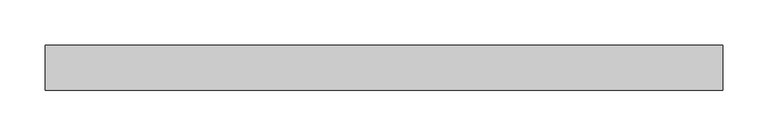
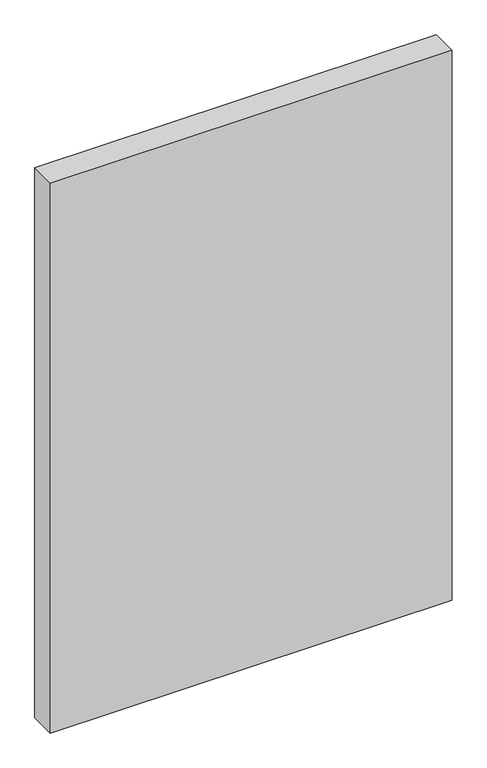
"""IFC4 building model written with IfcOpenShell, lengths in millimetres: plate geometry."""

from ifc_helpers import new_model, si_unit, origin, origin_with_axes, place, context, project, spatial, polyline, outline, extrude, source, transform, mapped, element, save


def plate_732bb6f4(model_context):
    return source(origin(), model_context, "Body", "SweptSolid", [
        extrude(outline(polyline([(375.0, -25.0), (-375.0, -25.0), (-375.0, 25.0), (375.0, 25.0), (375.0, -25.0)])), origin_with_axes(), (0.0, 0.0, 1.0), 1085.0),
    ])


if __name__ == "__main__":
    model = new_model("IFC4")
    model_context = context("Model", 3, world=origin())
    ifc_project = project(units=[si_unit("LENGTHUNIT", "METRE", prefix="MILLI")], contexts=[model_context])
    site = spatial("IfcSite", under=ifc_project)
    building = spatial("IfcBuilding", under=site)
    placement = place(None, origin())
    plate_shape = plate_732bb6f4(model_context)
    element("IfcPlate", 1, at=placement, inside=building, context=model_context, shape_type="MappedRepresentation", body=[
        mapped(plate_shape, transform((0.0, 0.0, 0.0), x_axis=(1.0, 0.0, 0.0), y_axis=(0.0, 1.0, 0.0), z_axis=(0.0, 0.0, 1.0))),
    ])
    save(model, "model.ifc")
